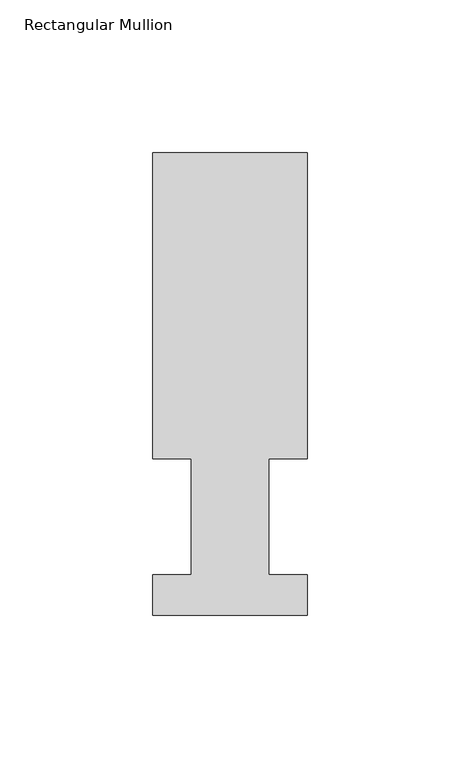
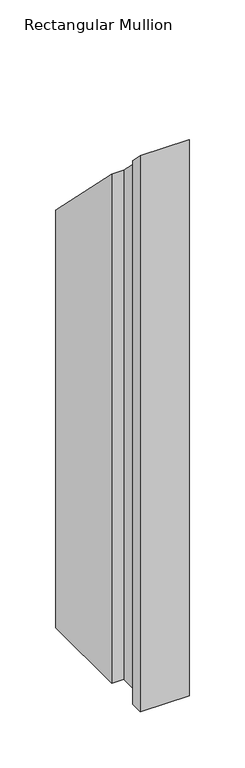
"""IFC4 building model written with IfcOpenShell, lengths in millimetres: member geometry, Rectangular Mullion."""

from ifc_helpers import new_model, si_unit, origin, place, context, project, spatial, faceted_brep, source, transform, mapped, element, save


def rectangular_mullion_dbda0c81(model_context):
    return source(origin(), model_context, "Body", "Brep", [
        faceted_brep([(50.8, 151.7022937, -609.6), (50.8, 51.2960938, -609.6), (38.1, 51.2960938, -609.6), (38.1, 13.1960938, -609.6), (50.8, 13.1960938, -609.6), (50.8, 0.0134937, -609.6), (0.0, 0.0134937, -609.6), (0.0, 13.1960938, -609.6), (12.7, 13.1960938, -609.6), (12.7, 51.2960938, -609.6), (0.0, 51.2960938, -609.6), (0.0, 151.7022937, -609.6), (0.0, 151.7022937, -151.7022937), (50.8, 151.7022937, -151.7022937), (0.0, 51.2960938, -51.2960938), (12.7, 51.2960938, -51.2960938), (12.7, 13.1960938, -13.1960938), (0.0, 13.1960938, -13.1960938), (0.0, 0.0134937, -0.0134937), (50.8, 0.0134937, -0.0134937), (50.8, 13.1960938, -13.1960938), (38.1, 13.1960938, -13.1960938), (38.1, 51.2960938, -51.2960938), (50.8, 51.2960938, -51.2960938)], [[[0, 1, 2, 3, 4, 5, 6, 7, 8, 9, 10, 11]], [[12, 13, 0, 11]], [[14, 12, 11, 10]], [[15, 14, 10, 9]], [[16, 15, 9, 8]], [[17, 16, 8, 7]], [[18, 17, 7, 6]], [[19, 18, 6, 5]], [[20, 19, 5, 4]], [[21, 20, 4, 3]], [[22, 21, 3, 2]], [[23, 22, 2, 1]], [[13, 23, 1, 0]], [[13, 12, 14, 15, 16, 17, 18, 19, 20, 21, 22, 23]]]),
    ])


if __name__ == "__main__":
    model = new_model("IFC4")
    model_context = context("Model", 3, world=origin())
    ifc_project = project(units=[si_unit("LENGTHUNIT", "METRE", prefix="MILLI")], contexts=[model_context])
    site = spatial("IfcSite", under=ifc_project)
    building = spatial("IfcBuilding", under=site)
    placement = place(None, origin())
    rectangular_mullion_shape = rectangular_mullion_dbda0c81(model_context)
    element("IfcMember", 1, ObjectType="Rectangular Mullion", at=placement, inside=building, context=model_context, shape_type="MappedRepresentation", body=[
        mapped(rectangular_mullion_shape, transform((0.0, 0.0, 0.0), x_axis=(1.0, 0.0, 0.0), y_axis=(0.0, 1.0, 0.0), z_axis=(0.0, 0.0, 1.0))),
    ])
    save(model, "model.ifc")
